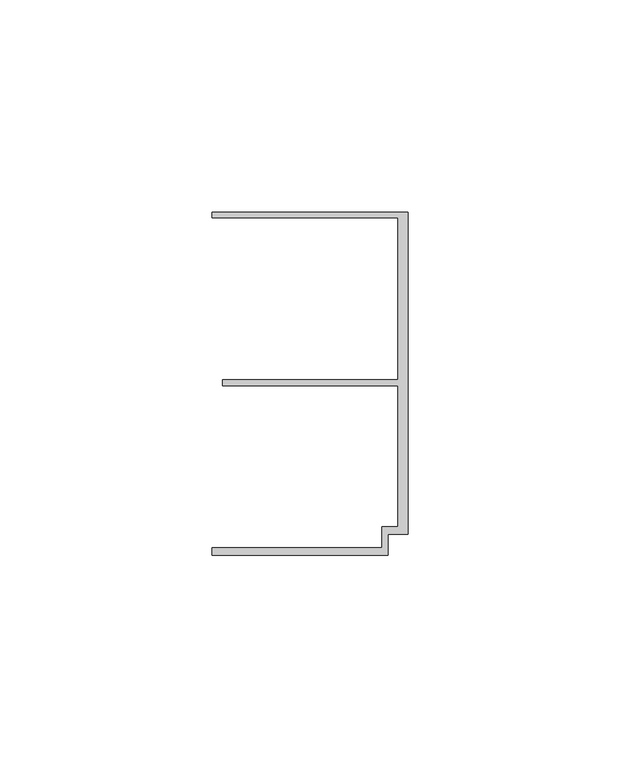
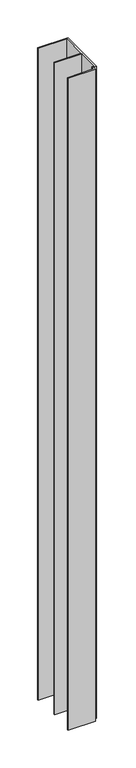
"""IFC4 building model written with IfcOpenShell, lengths in millimetres: member geometry."""

from ifc_helpers import new_model, si_unit, frame, origin, place, context, project, spatial, polyline, outline, extrude, source, transform, mapped, element, save


def member_06058cf8(model_context):
    return source(origin(), model_context, "Body", "SweptSolid", [
        extrude(outline(polyline([(-6.2, -33.95), (-2.4, -33.95), (-2.4, -0.75), (-43.8, -0.75), (-43.8, 0.75), (-2.4, 0.75), (-2.4, 38.95), (-46.3, 38.95), (-46.3, 40.25), (0.0, 40.25), (0.0, -35.75), (-4.6999992, -35.75), (-4.6999992, -40.65), (-46.3, -40.65), (-46.3, -38.95), (-6.2, -38.95), (-6.2, -33.95)])), frame((0.0, 0.0, -1053.0), z_axis=(0.0, 0.0, 1.0), x_axis=(1.0, 0.0, 0.0)), (0.0, 0.0, 1.0), 1053.0),
    ])


if __name__ == "__main__":
    model = new_model("IFC4")
    model_context = context("Model", 3, world=origin())
    ifc_project = project(units=[si_unit("LENGTHUNIT", "METRE", prefix="MILLI")], contexts=[model_context])
    site = spatial("IfcSite", under=ifc_project)
    building = spatial("IfcBuilding", under=site)
    placement = place(None, origin())
    member_shape = member_06058cf8(model_context)
    element("IfcMember", 1, at=placement, inside=building, context=model_context, shape_type="MappedRepresentation", body=[
        mapped(member_shape, transform((0.0, 0.0, 0.0), x_axis=(1.0, 0.0, 0.0), y_axis=(0.0, 1.0, 0.0), z_axis=(0.0, 0.0, 1.0))),
    ])
    save(model, "model.ifc")
